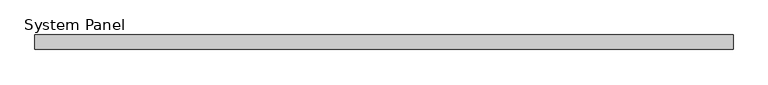
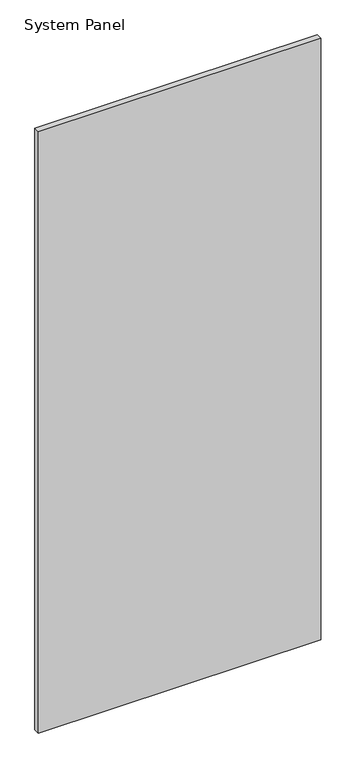
"""IFC4 building model written with IfcOpenShell, lengths in millimetres: plate geometry, System Panel."""

from ifc_helpers import new_model, si_unit, origin, origin_with_axes, place, context, project, spatial, polyline, outline, extrude, source, transform, mapped, element, save


def system_panel_5050edf1(model_context):
    return source(origin(), model_context, "Body", "SweptSolid", [
        extrude(outline(polyline([(609.6, 19.05), (-609.6, 19.05), (-609.6, 44.45), (609.6, 44.45), (609.6, 19.05)])), origin_with_axes(), (0.0, 0.0, 1.0), 2743.2),
    ])


if __name__ == "__main__":
    model = new_model("IFC4")
    model_context = context("Model", 3, world=origin())
    ifc_project = project(units=[si_unit("LENGTHUNIT", "METRE", prefix="MILLI")], contexts=[model_context])
    site = spatial("IfcSite", under=ifc_project)
    building = spatial("IfcBuilding", under=site)
    placement = place(None, origin())
    system_panel_shape = system_panel_5050edf1(model_context)
    element("IfcPlate", 1, ObjectType="System Panel", at=placement, inside=building, context=model_context, shape_type="MappedRepresentation", body=[
        mapped(system_panel_shape, transform((0.0, 0.0, 0.0), x_axis=(1.0, 0.0, 0.0), y_axis=(0.0, 1.0, 0.0), z_axis=(0.0, 0.0, 1.0))),
    ])
    save(model, "model.ifc")
